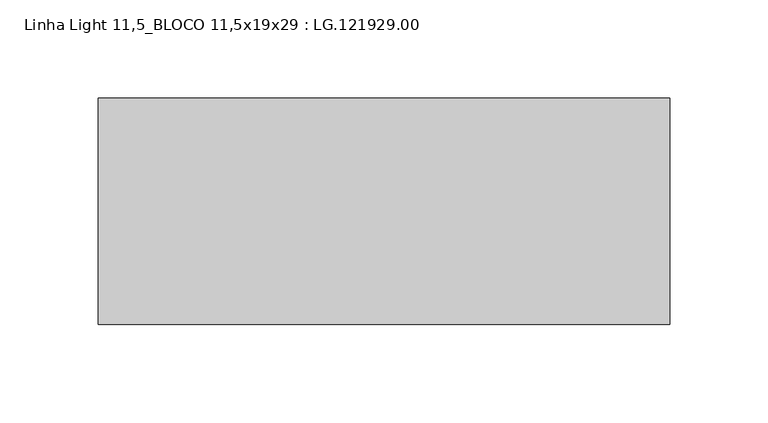
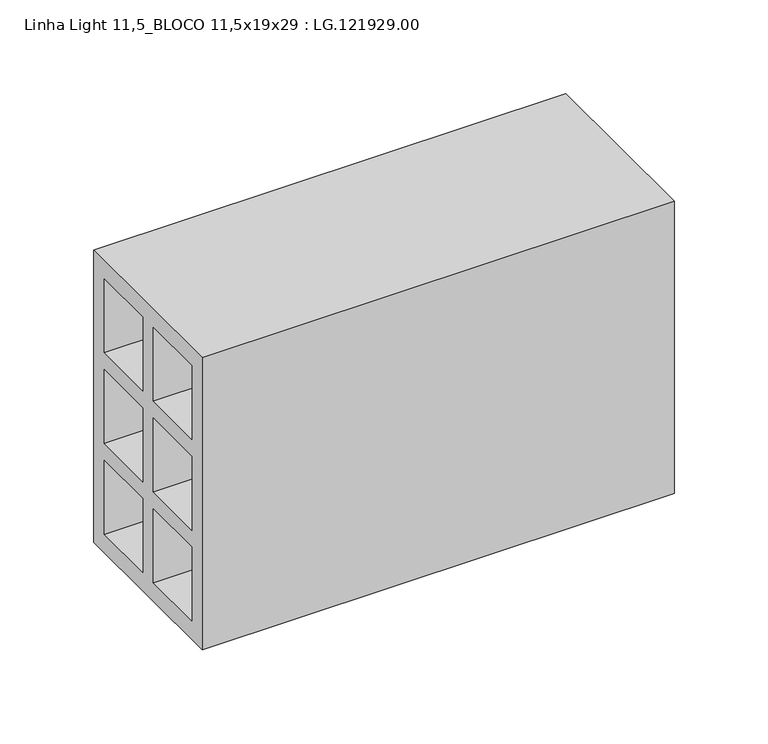
"""IFC4 building model written with IfcOpenShell, lengths in millimetres: proxy geometry, Linha Light 11,5_BLOCO 11,5x19x29 : LG.121929.00."""

from ifc_helpers import new_model, si_unit, frame, origin, place, context, project, spatial, polyline, outline, extrude, source, transform, mapped, element, save


def linha_light_11_5_bloco_11_5x19x29_lg_121929_00_22ec6e07(model_context):
    return source(origin(), model_context, "Body", "SweptSolid", [
        extrude(outline(polyline([(-57.5, 0.0), (-57.5, 190.0), (57.5, 190.0), (57.5, 0.0), (-57.5, 0.0)]), holes=[polyline([(5.5, 178.0), (5.5, 130.0), (46.5, 130.0), (46.5, 178.0), (5.5, 178.0)]), polyline([(-46.5, 178.0), (-46.5, 130.0), (-5.5, 130.0), (-5.5, 178.0), (-46.5, 178.0)]), polyline([(-5.5, 119.0), (-46.5, 119.0), (-46.5, 71.0), (-5.5, 71.0), (-5.5, 119.0)]), polyline([(46.5, 71.0), (46.5, 119.0), (5.5, 119.0), (5.5, 71.0), (46.5, 71.0)]), polyline([(46.5, 60.0), (5.5, 60.0), (5.5, 12.0), (46.5, 12.0), (46.5, 60.0)]), polyline([(-5.5, 60.0), (-46.5, 60.0), (-46.5, 12.0), (-5.5, 12.0), (-5.5, 60.0)])]), frame((5.0, 0.0, 0.0), z_axis=(1.0, 0.0, 0.0), x_axis=(0.0, 1.0, 0.0)), (0.0, 0.0, 1.0), 290.0),
    ])


if __name__ == "__main__":
    model = new_model("IFC4")
    model_context = context("Model", 3, world=origin())
    ifc_project = project(units=[si_unit("LENGTHUNIT", "METRE", prefix="MILLI")], contexts=[model_context])
    site = spatial("IfcSite", under=ifc_project)
    building = spatial("IfcBuilding", under=site)
    placement = place(None, origin())
    linha_light_11_5_bloco_11_5x19x29_lg_121929_00_shape = linha_light_11_5_bloco_11_5x19x29_lg_121929_00_22ec6e07(model_context)
    element("IfcBuildingElementProxy", 1, Name="Linha Light 11,5_BLOCO 11,5x19x29 : LG.121929.00", ObjectType="Linha Light 11,5_BLOCO 11,5x19x29 : LG.121929.00", at=placement, inside=building, context=model_context, shape_type="MappedRepresentation", body=[
        mapped(linha_light_11_5_bloco_11_5x19x29_lg_121929_00_shape, transform((0.0, 0.0, 0.0), x_axis=(1.0, 0.0, 0.0), y_axis=(0.0, 1.0, 0.0), z_axis=(0.0, 0.0, 1.0))),
    ])
    save(model, "model.ifc")
